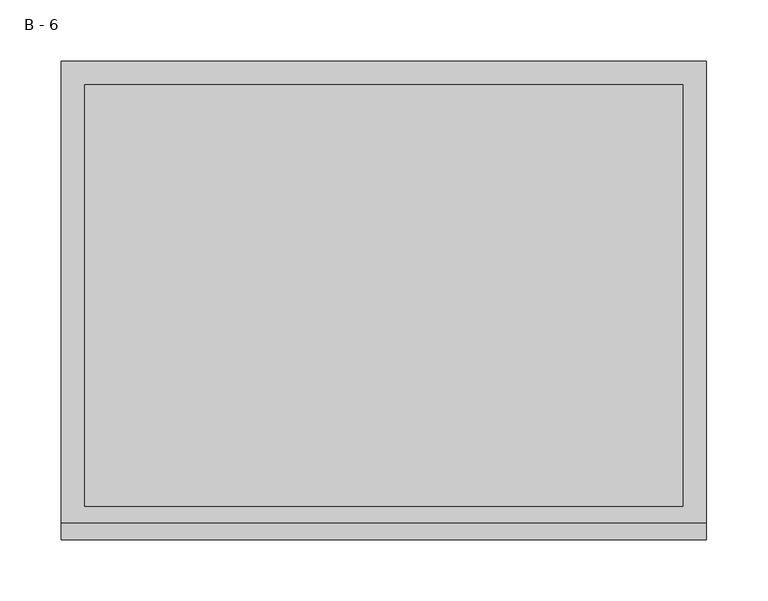
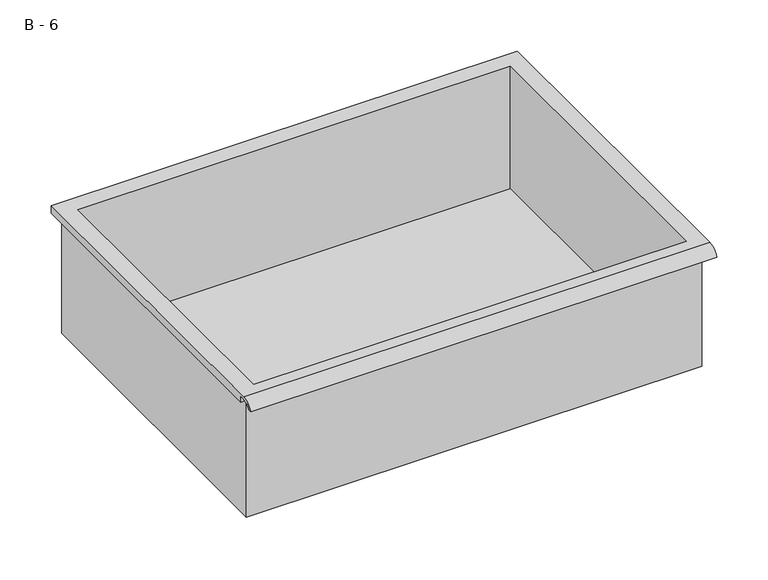
"""IFC4 building model written with IfcOpenShell, lengths in millimetres: furniture geometry, B - 6."""

from ifc_helpers import new_model, si_unit, frame, origin, place, context, project, spatial, polyline, circle_curve, source, transform, mapped, element, save
from ifc_brep_helpers import plane_surface, cylinder_surface, revolved_surface, advanced_brep


def b_6_1a20450e(model_context):
    return source(origin(), model_context, "Body", "AdvancedBrep", [
        advanced_brep(
        [(-257.1076517, -176.2125, 643.128), (257.2423483, -176.2125, 643.128), (257.2423483, -176.2125, 782.828), (263.5923483, -176.2125, 782.828), (263.5923483, -176.2125, 789.1351341), (-263.4576517, -176.2125, 789.1351341), (-263.4576517, -176.2125, 782.828), (-257.1076517, -176.2125, 782.828), (257.2423483, 185.7375, 643.128), (-257.1076517, 185.7375, 643.128), (-257.1076517, 185.7375, 782.828), (257.2423483, 185.7375, 782.828), (263.5923483, -181.6070544, 792.353), (263.5923483, 195.2625, 792.353), (-263.4576517, 195.2625, 792.353), (-263.4576517, -181.6070544, 792.353), (244.5423483, -168.275, 792.353), (-244.4076517, -168.275, 792.353), (-244.4076517, 176.2125, 792.353), (244.5423483, 176.2125, 792.353), (263.5923483, -195.2625, 782.828), (263.5923483, -191.8280601, 782.828), (263.5923483, -180.4714815, 789.1351341), (263.5923483, 195.2625, 782.828), (-263.4576517, 195.2625, 782.828), (-263.4576517, -180.4714815, 789.1351341), (-263.4576517, -191.8280601, 782.828), (-263.4576517, -195.2625, 782.828), (-244.4076517, -168.275, 646.1541719), (244.5423483, -168.275, 646.1541719), (244.5423483, 176.2125, 646.1541719), (-244.4076517, 176.2125, 646.1541719)],
        [
            (0, 1),
            (1, 2),
            (2, 3),
            (3, 4),
            (4, 5),
            (5, 6),
            (6, 7),
            (7, 0),
            (8, 9),
            (9, 10),
            (10, 11),
            (11, 8),
            (0, 9),
            (8, 1),
            (11, 2),
            (12, 13),
            (13, 14),
            (14, 15),
            (15, 12),
            (16, 17),
            (17, 18),
            (18, 19),
            (19, 16),
            (7, 10),
            (12, 20, circle_curve(frame((263.5923483, -181.6070544, 777.8019859), z_axis=(1.0, 0.0, 0.0), x_axis=(0.0, 1.0, 0.0)), 14.5510141)),
            (20, 21),
            (21, 22, circle_curve(frame((263.5923483, -181.6070544, 777.8019859), z_axis=(-1.0, 0.0, 0.0), x_axis=(0.0, 1.0, 0.0)), 11.3898979)),
            (22, 4),
            (3, 23),
            (23, 13),
            (14, 24),
            (24, 6),
            (5, 25),
            (25, 26, circle_curve(frame((-263.4576517, -181.6070544, 777.8019859), z_axis=(1.0, 0.0, 0.0), x_axis=(0.0, 1.0, 0.0)), 11.3898979)),
            (26, 27),
            (27, 15, circle_curve(frame((-263.4576517, -181.6070544, 777.8019859), z_axis=(-1.0, 0.0, 0.0), x_axis=(0.0, 1.0, 0.0)), 14.5510141)),
            (27, 20),
            (26, 21),
            (25, 22),
            (24, 23),
            (28, 29),
            (29, 30),
            (30, 31),
            (31, 28),
            (28, 17),
            (16, 29),
            (19, 30),
            (18, 31),
        ],
        [
            plane_surface(frame((257.2423483, -176.2125, 643.128), z_axis=(0.0, -1.0, 0.0), x_axis=(1.0, 0.0, 0.0))),
            plane_surface(frame((257.2423483, 185.7375, 643.128), z_axis=(0.0, 1.0, 0.0), x_axis=(-1.0, 0.0, 0.0))),
            plane_surface(frame((-257.1076517, -176.2125, 643.128), z_axis=(0.0, 0.0, -1.0), x_axis=(0.0, 1.0, 0.0))),
            plane_surface(frame((257.2423483, -176.2125, 643.128), z_axis=(1.0, 0.0, 0.0), x_axis=(0.0, 1.0, 0.0))),
            plane_surface(frame((257.2423483, -176.2125, 792.353), z_axis=(0.0, 0.0, 1.0), x_axis=(0.0, 1.0, 0.0))),
            plane_surface(frame((-257.1076517, -176.2125, 792.353), z_axis=(-1.0, 0.0, 0.0), x_axis=(0.0, 1.0, 0.0))),
            plane_surface(frame((263.5923483, 195.2625, 792.353), z_axis=(1.0, 0.0, 0.0), x_axis=(0.0, -1.0, 0.0))),
            plane_surface(frame((-263.4576517, 195.2625, 792.353), z_axis=(-1.0, 0.0, 0.0), x_axis=(0.0, 1.0, 0.0))),
            cylinder_surface(frame((-263.4576517, -181.6070544, 777.8019859), z_axis=(1.0, 0.0, 0.0), x_axis=(0.0, 1.0, 0.0)), 14.5510141),
            plane_surface(frame((263.5923483, -195.2625, 782.828), z_axis=(0.0, -7.094172893624989e-12, -1.0), x_axis=(-1.0, 0.0, 0.0))),
            revolved_surface(polyline([(-263.4576517, -170.21715650000002, 777.8019859), (263.59234829999997, -170.21715650000002, 777.8019859)]), (-263.4576517, -181.6070544, 777.8019859), (-1.0, 0.0, 0.0)),
            plane_surface(frame((263.5923483, -180.4714815, 789.1351341), z_axis=(0.0, -1.7575373445000222e-11, -1.0), x_axis=(-1.0, 0.0, 0.0))),
            plane_surface(frame((263.5923483, -176.2125, 782.828), z_axis=(0.0, 0.0, -1.0), x_axis=(-1.0, 0.0, 0.0))),
            plane_surface(frame((263.5923483, 195.2625, 782.828), z_axis=(0.0, 1.0, 0.0), x_axis=(-1.0, 0.0, 0.0))),
            plane_surface(frame((244.5423483, -168.275, 646.1541719), z_axis=(0.0, 0.0, 1.0), x_axis=(-1.0, 0.0, 0.0))),
            plane_surface(frame((-244.4076517, -168.275, 792.353), z_axis=(0.0, 1.0, 0.0), x_axis=(0.0, 0.0, -1.0))),
            plane_surface(frame((244.5423483, -168.275, 792.353), z_axis=(-1.0, 0.0, 0.0), x_axis=(0.0, 0.0, -1.0))),
            plane_surface(frame((244.5423483, 176.2125, 792.353), z_axis=(0.0, -1.0, 0.0), x_axis=(0.0, 0.0, -1.0))),
            plane_surface(frame((-244.4076517, 176.2125, 792.353), z_axis=(1.0, 0.0, 0.0), x_axis=(0.0, 0.0, -1.0))),
        ],
        [
            (0, [[1, 2, 3, 4, 5, 6, 7, 8]]),
            (1, [[9, 10, 11, 12]]),
            (2, [[-1, 13, -9, 14]]),
            (3, [[-14, -12, 15, -2]]),
            (4, [[16, 17, 18, 19], [20, 21, 22, 23]]),
            (5, [[-13, -8, 24, -10]]),
            (6, [[-16, 25, 26, 27, 28, -4, 29, 30]]),
            (7, [[31, 32, -6, 33, 34, 35, 36, -18]]),
            (8, [[-25, -19, -36, 37]]),
            (9, [[-26, -37, -35, 38]]),
            (10, [[-27, -38, -34, 39]]),
            (11, [[-28, -39, -33, -5]]),
            (12, [[-29, -3, -15, -11, -24, -7, -32, 40]]),
            (13, [[-30, -40, -31, -17]]),
            (14, [[41, 42, 43, 44]]),
            (15, [[-41, 45, -20, 46]]),
            (16, [[-42, -46, -23, 47]]),
            (17, [[-43, -47, -22, 48]]),
            (18, [[-44, -48, -21, -45]]),
        ],
    ),
    ])


if __name__ == "__main__":
    model = new_model("IFC4")
    model_context = context("Model", 3, world=origin())
    ifc_project = project(units=[si_unit("LENGTHUNIT", "METRE", prefix="MILLI")], contexts=[model_context])
    site = spatial("IfcSite", under=ifc_project)
    building = spatial("IfcBuilding", under=site)
    placement = place(None, origin())
    b_6_shape = b_6_1a20450e(model_context)
    element("IfcFurniture", 1, ObjectType="B - 6", at=placement, inside=building, context=model_context, shape_type="MappedRepresentation", body=[
        mapped(b_6_shape, transform((0.0, 0.0, 0.0), x_axis=(1.0, 0.0, 0.0), y_axis=(0.0, 1.0, 0.0), z_axis=(0.0, 0.0, 1.0))),
    ])
    save(model, "model.ifc")
